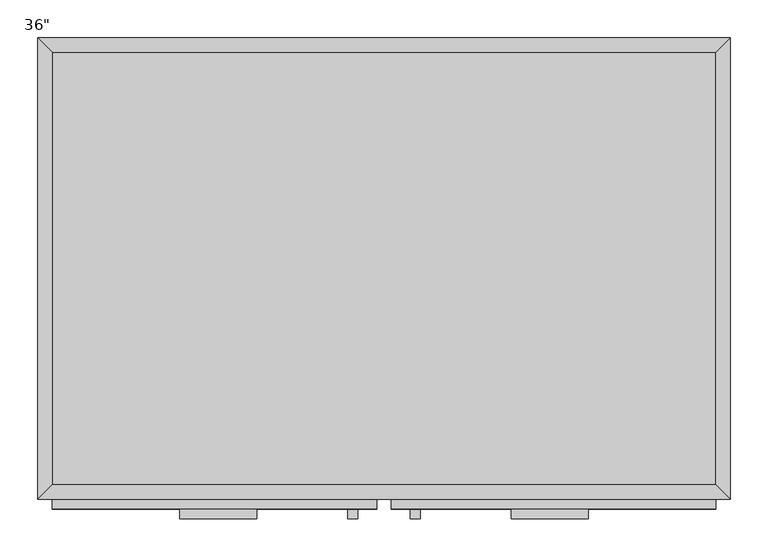
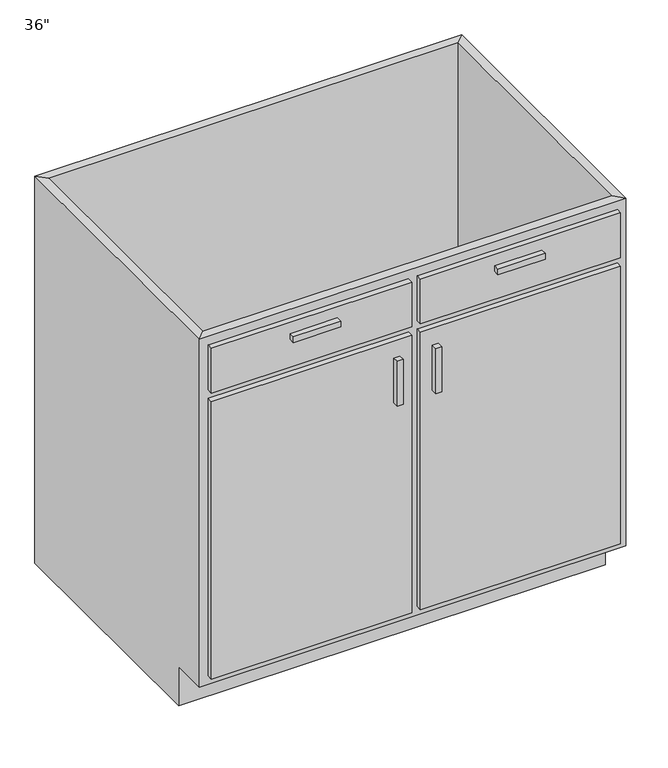
"""IFC4 building model written with IfcOpenShell, lengths in millimetres: furniture geometry."""

import ifcopenshell
import ifcopenshell.guid

model = None  # the IFC model being written
_history = None  # IfcOwnerHistory: only IFC2X3 demands one
_inside = {}  # id of a spatial element -> (the spatial element, [elements in it])
_under = {}  # id of a project, library or spatial element -> (it, [spatial elements below it])
_declared = {}  # id of a project -> (the project, [libraries it declares])
_typed = {}  # id of a type object -> (the type object, [elements of that type])
_made_of = {}  # id of a material, layer set ... -> (it, [elements and type objects made of it])


def new_model(schema):
    """Start an empty IFC model of exactly this schema.

    Asked for "IFC4X3", IfcOpenShell would pick the latest addendum, in which some entities
    have other attributes; the version numbers below select the first issue.
    IFC2X3 requires an IfcOwnerHistory on every rooted entity: one is made here for all.
    """
    global model, _history
    if schema == "IFC4X3":
        model = ifcopenshell.file(schema_version=(4, 3, 0, 0))
    else:
        model = ifcopenshell.file(schema=schema)
    _inside.clear()
    _under.clear()
    _declared.clear()
    _typed.clear()
    _made_of.clear()
    _history = None
    if model.schema == "IFC2X3":
        org = make("IfcOrganization", Name="unknown")
        user = make(
            "IfcPersonAndOrganization",
            ThePerson=make("IfcPerson", FamilyName="unknown"),
            TheOrganization=org,
        )
        app = make(
            "IfcApplication",
            ApplicationDeveloper=org,
            Version="unknown",
            ApplicationFullName="unknown",
            ApplicationIdentifier="unknown",
        )
        _history = make(
            "IfcOwnerHistory",
            OwningUser=user,
            OwningApplication=app,
            ChangeAction="ADDED",
            CreationDate=0,
        )
    return model


def make(cls, **values):
    """One entity of the class cls with the attributes given. An attribute that is None is left unset."""
    return model.create_entity(
        cls, **{name: value for name, value in values.items() if value is not None}
    )


def rooted(cls, **values):
    """An entity with a GlobalId (a new one), such as an element, a storey or a relation."""
    return make(cls, GlobalId=ifcopenshell.guid.new(), OwnerHistory=_history, **values)


def si_unit(unit_type, name, prefix=None):
    """IfcSIUnit, for example si_unit("LENGTHUNIT", "METRE", prefix="MILLI")."""
    return make("IfcSIUnit", UnitType=unit_type, Prefix=prefix, Name=name)


def assignment(units):
    """IfcUnitAssignment: the units of a project."""
    return None if units is None else make("IfcUnitAssignment", Units=units)


def point(xyz):
    """IfcCartesianPoint."""
    return None if xyz is None else make("IfcCartesianPoint", Coordinates=xyz)


def direction(xyz):
    """IfcDirection."""
    return None if xyz is None else make("IfcDirection", DirectionRatios=xyz)


def frame(location, z_axis=None, x_axis=None):
    """IfcAxis2Placement3D, a coordinate frame: its origin and axes. An axis left out is left unset."""
    return make(
        "IfcAxis2Placement3D",
        Location=point(location),
        Axis=direction(z_axis),
        RefDirection=direction(x_axis),
    )


def origin():
    """The frame at (0, 0, 0) with its axes left unset."""
    return frame((0.0, 0.0, 0.0))


def place(relative_to, where):
    """IfcLocalPlacement: puts the frame where relative to a parent placement (None: the world)."""
    return make(
        "IfcLocalPlacement", PlacementRelTo=relative_to, RelativePlacement=where
    )


def context(
    kind, dimensions, precision=None, world=None, true_north=None, identifier=None
):
    """IfcGeometricRepresentationContext, for example the 3D "Model" context."""
    return make(
        "IfcGeometricRepresentationContext",
        ContextIdentifier=identifier,
        ContextType=kind,
        CoordinateSpaceDimension=dimensions,
        Precision=precision,
        WorldCoordinateSystem=world,
        TrueNorth=true_north,
    )


def project(units=None, contexts=None):
    """IfcProject with its units and contexts."""
    return rooted(
        "IfcProject",
        Name="project",
        RepresentationContexts=contexts,
        UnitsInContext=assignment(units),
    )


def spatial(cls, under=None, at=None, **own):
    """A site, building, storey or space (cls), placed at a placement, below another one or the project."""
    s = rooted(cls, ObjectPlacement=at, **own)
    if under is not None:
        _under.setdefault(under.id(), (under, []))[1].append(s)
    return s


def polyline(points):
    """IfcPolyline through the points."""
    return make("IfcPolyline", Points=[point(p) for p in points])


def outline(outer, holes=None, kind="AREA"):
    """IfcArbitraryClosedProfileDef: a profile drawn as a closed curve; with holes, ...WithVoids."""
    if holes is None:
        return make("IfcArbitraryClosedProfileDef", ProfileType=kind, OuterCurve=outer)
    return make(
        "IfcArbitraryProfileDefWithVoids",
        ProfileType=kind,
        OuterCurve=outer,
        InnerCurves=holes,
    )


def extrude(swept, where, along, depth):
    """IfcExtrudedAreaSolid: the profile swept, set in the frame where, extruded along a direction by depth."""
    return make(
        "IfcExtrudedAreaSolid",
        SweptArea=swept,
        Position=where,
        ExtrudedDirection=direction(along),
        Depth=depth,
    )


def faces_of(points, faces, orient=None, outer=None):
    """IfcFace entities. A face is a list of loops; a loop is a list of indices into points, from 0.

    orient and outer hold one flag for each loop. By default every Orientation is true, the
    first loop of a face is its IfcFaceOuterBound and the others are IfcFaceBound.
    """
    made = []
    for i, loops in enumerate(faces):
        bounds = []
        for j, loop in enumerate(loops):
            is_outer = j == 0 if outer is None else outer[i][j]
            bounds.append(
                make(
                    "IfcFaceOuterBound" if is_outer else "IfcFaceBound",
                    Bound=make("IfcPolyLoop", Polygon=[points[k] for k in loop]),
                    Orientation=True if orient is None else orient[i][j],
                )
            )
        made.append(make("IfcFace", Bounds=bounds))
    return made


def faceted_brep(points, faces, orient=None, outer=None, voids=None):
    """IfcFacetedBrep: a solid bounded by flat faces; with voids (closed shells), ...WithVoids."""
    shared = [point(p) for p in points]
    hull = make("IfcClosedShell", CfsFaces=faces_of(shared, faces, orient, outer))
    if voids is None:
        return make("IfcFacetedBrep", Outer=hull)
    return make(
        "IfcFacetedBrepWithVoids",
        Outer=hull,
        Voids=[
            make(cls, CfsFaces=faces_of(shared, fs, o, b)) for cls, fs, o, b in voids
        ],
    )


def shape(context_of_items, identifier, shape_type, items):
    """IfcShapeRepresentation: the items that make up one representation, for example the "Body"."""
    return make(
        "IfcShapeRepresentation",
        ContextOfItems=context_of_items,
        RepresentationIdentifier=identifier,
        RepresentationType=shape_type,
        Items=items,
    )


def source(mapping_origin, context_of_items, identifier, shape_type, items):
    """IfcRepresentationMap: a shape defined once, which mapped items show again and again."""
    return make(
        "IfcRepresentationMap",
        MappingOrigin=mapping_origin,
        MappedRepresentation=shape(context_of_items, identifier, shape_type, items),
    )


def transform(
    local_origin,
    x_axis=None,
    y_axis=None,
    z_axis=None,
    scale=None,
    scale2=None,
    scale3=None,
    uniform=True,
):
    """IfcCartesianTransformationOperator3D, or its non-uniform kind. x_axis, y_axis, z_axis: its Axis1, 2, 3."""
    if uniform:
        return make(
            "IfcCartesianTransformationOperator3D",
            Axis1=direction(x_axis),
            Axis2=direction(y_axis),
            LocalOrigin=point(local_origin),
            Scale=scale,
            Axis3=direction(z_axis),
        )
    return make(
        "IfcCartesianTransformationOperator3DnonUniform",
        Axis1=direction(x_axis),
        Axis2=direction(y_axis),
        LocalOrigin=point(local_origin),
        Scale=scale,
        Axis3=direction(z_axis),
        Scale2=scale2,
        Scale3=scale3,
    )


def mapped(mapping_source, mapping_target):
    """IfcMappedItem: shows the shape of a source again, moved by a transform."""
    return make(
        "IfcMappedItem", MappingSource=mapping_source, MappingTarget=mapping_target
    )


def made_of(thing, what):
    """Note that an element or type object is made of a material, layer set ...; save() writes the relation."""
    if what is not None:
        _made_of.setdefault(what.id(), (what, []))[1].append(thing)
    return thing


def element(
    cls,
    number,
    at=None,
    inside=None,
    cuts=None,
    type_object=None,
    material=None,
    context=None,
    identifier="Body",
    shape_type=None,
    held_by="IfcProductDefinitionShape",
    body=None,
    shapes=None,
    **own,
):
    """One element of the class cls, such as IfcWall. Its Tag is "e" and its number.

    at: its placement. inside: the storey or other place that contains it. cuts: it is an
    opening in that element (IfcRelVoidsElement). A single representation is given by context,
    identifier, shape_type and body (its items); several are given by shapes. held_by: the class
    of the entity that holds the representations. save() writes the other relations.
    """
    e = rooted(cls, Tag="e%d" % number, ObjectPlacement=at, **own)
    if body is not None:
        shapes = [shape(context, identifier, shape_type, body)]
    if shapes is not None:
        e.Representation = make(held_by, Representations=shapes)
    if inside is not None:
        _inside.setdefault(inside.id(), (inside, []))[1].append(e)
    if cuts is not None:
        rooted(
            "IfcRelVoidsElement", RelatingBuildingElement=cuts, RelatedOpeningElement=e
        )
    if type_object is not None:
        _typed.setdefault(type_object.id(), (type_object, []))[1].append(e)
    return made_of(e, material)


def aggregate(whole, parts):
    """IfcRelAggregates: a whole, such as a stair, and the parts it consists of."""
    return rooted("IfcRelAggregates", RelatingObject=whole, RelatedObjects=parts)


def save(model, path):
    """Write the relations noted so far, then the file.

    IfcRelAggregates (storeys below a building ...), IfcRelContainedInSpatialStructure (elements
    in a storey), IfcRelDefinesByType, IfcRelAssociatesMaterial and IfcRelDeclares: one each for
    every whole, place, type object, material and project.
    """
    for whole, parts in _under.values():
        aggregate(whole, parts)
    for where, things in _inside.values():
        rooted(
            "IfcRelContainedInSpatialStructure",
            RelatedElements=things,
            RelatingStructure=where,
        )
    for kind, things in _typed.values():
        rooted("IfcRelDefinesByType", RelatedObjects=things, RelatingType=kind)
    for what, things in _made_of.values():
        rooted("IfcRelAssociatesMaterial", RelatedObjects=things, RelatingMaterial=what)
    for by, libraries in _declared.values():
        rooted("IfcRelDeclares", RelatingContext=by, RelatedDefinitions=libraries)
    model.write(path)


def furniture_b6fbc004(model_context):
    return source(origin(), model_context, "Body", "SolidModel", [
        faceted_brep([(456.8877049, -590.55, 876.3), (456.8877049, -590.55, 88.9), (-419.4122951, -590.55, 88.9), (-419.4122951, -590.55, 876.3), (-438.4622951, -609.6, 876.3), (475.9377049, -609.6, 876.3), (-438.4622951, -609.6, 88.9), (475.9377049, -609.6, 88.9), (-419.4122951, -533.4, 88.9), (-419.4122951, -19.05, 88.9), (-419.4122951, -19.05, 876.3), (-438.4622951, 0.0, 876.3), (-438.4622951, 0.0, 0.0), (-438.4622951, -533.4, 0.0), (-438.4622951, -533.4, 88.9), (456.8877049, -19.05, 88.9), (456.8877049, -19.05, 876.3), (475.9377049, 0.0, 876.3), (475.9377049, 0.0, 0.0), (456.8877049, -533.4, 88.9), (475.9377049, -533.4, 88.9), (475.9377049, -533.4, 0.0)], [[[0, 1, 2, 3]], [[0, 3, 4, 5]], [[5, 4, 6, 7]], [[2, 1, 7, 6]], [[3, 2, 8, 9, 10]], [[4, 3, 10, 11]], [[6, 4, 11, 12, 13, 14]], [[2, 6, 14, 8]], [[10, 9, 15, 16]], [[11, 10, 16, 17]], [[12, 11, 17, 18]], [[1, 0, 16, 15, 19]], [[0, 5, 17, 16]], [[5, 7, 20, 21, 18, 17]], [[7, 1, 19, 20]], [[8, 19, 15, 9]], [[18, 21, 13, 12]], [[13, 21, 20, 19, 8, 14]]]),
        extrude(outline(polyline([(-149.5372951, -635.0), (-251.1372951, -635.0), (-251.1372951, -622.3), (-149.5372951, -622.3), (-149.5372951, -635.0)])), frame((0.0, 0.0, 819.15), z_axis=(0.0, 0.0, 1.0), x_axis=(1.0, 0.0, 0.0)), (0.0, 0.0, 1.0), 12.7),
        extrude(outline(polyline([(288.6127049, -635.0), (187.0127049, -635.0), (187.0127049, -622.3), (288.6127049, -622.3), (288.6127049, -635.0)])), frame((0.0, 0.0, 819.15), z_axis=(0.0, 0.0, 1.0), x_axis=(1.0, 0.0, 0.0)), (0.0, 0.0, 1.0), 12.7),
        extrude(outline(polyline([(-16.1872951, -635.0), (-28.8872951, -635.0), (-28.8872951, -622.3), (-16.1872951, -622.3), (-16.1872951, -635.0)])), frame((0.0, 0.0, 596.9), z_axis=(0.0, 0.0, 1.0), x_axis=(1.0, 0.0, 0.0)), (0.0, 0.0, 1.0), 101.6),
        extrude(outline(polyline([(66.3627049, -635.0), (53.6627049, -635.0), (53.6627049, -622.3), (66.3627049, -622.3), (66.3627049, -635.0)])), frame((0.0, 0.0, 596.9), z_axis=(0.0, 0.0, 1.0), x_axis=(1.0, 0.0, 0.0)), (0.0, 0.0, 1.0), 101.6),
        extrude(outline(polyline([(456.8877049, -19.05), (456.8877049, -590.55), (-419.4122951, -590.55), (-419.4122951, -19.05), (456.8877049, -19.05)])), frame((0.0, 0.0, 88.9), z_axis=(0.0, 0.0, 1.0), x_axis=(1.0, 0.0, 0.0)), (0.0, 0.0, 1.0), 19.05),
        extrude(outline(polyline([(9.2127049, -622.3), (-419.4122951, -622.3), (-419.4122951, -609.6), (9.2127049, -609.6), (9.2127049, -622.3)])), frame((0.0, 0.0, 755.65), z_axis=(0.0, 0.0, 1.0), x_axis=(1.0, 0.0, 0.0)), (0.0, 0.0, 1.0), 101.6),
        extrude(outline(polyline([(456.8877049, -622.3), (28.2627049, -622.3), (28.2627049, -609.6), (456.8877049, -609.6), (456.8877049, -622.3)])), frame((0.0, 0.0, 755.65), z_axis=(0.0, 0.0, 1.0), x_axis=(1.0, 0.0, 0.0)), (0.0, 0.0, 1.0), 101.6),
        extrude(outline(polyline([(9.2127049, -622.3), (-419.4122951, -622.3), (-419.4122951, -609.6), (9.2127049, -609.6), (9.2127049, -622.3)])), frame((0.0, 0.0, 107.95), z_axis=(0.0, 0.0, 1.0), x_axis=(1.0, 0.0, 0.0)), (0.0, 0.0, 1.0), 628.65),
        extrude(outline(polyline([(456.8877049, -622.3), (28.2627049, -622.3), (28.2627049, -609.6), (456.8877049, -609.6), (456.8877049, -622.3)])), frame((0.0, 0.0, 107.95), z_axis=(0.0, 0.0, 1.0), x_axis=(1.0, 0.0, 0.0)), (0.0, 0.0, 1.0), 628.65),
    ])


if __name__ == "__main__":
    model = new_model("IFC4")
    model_context = context("Model", 3, world=origin())
    ifc_project = project(units=[si_unit("LENGTHUNIT", "METRE", prefix="MILLI")], contexts=[model_context])
    site = spatial("IfcSite", under=ifc_project)
    building = spatial("IfcBuilding", under=site)
    placement = place(None, origin())
    furniture_shape = furniture_b6fbc004(model_context)
    element("IfcFurniture", 1, ObjectType="36\"", at=placement, inside=building, context=model_context, shape_type="MappedRepresentation", body=[
        mapped(furniture_shape, transform((0.0, 0.0, 0.0), x_axis=(1.0, 0.0, 0.0), y_axis=(0.0, 1.0, 0.0), z_axis=(0.0, 0.0, 1.0))),
    ])
    save(model, "model.ifc")
